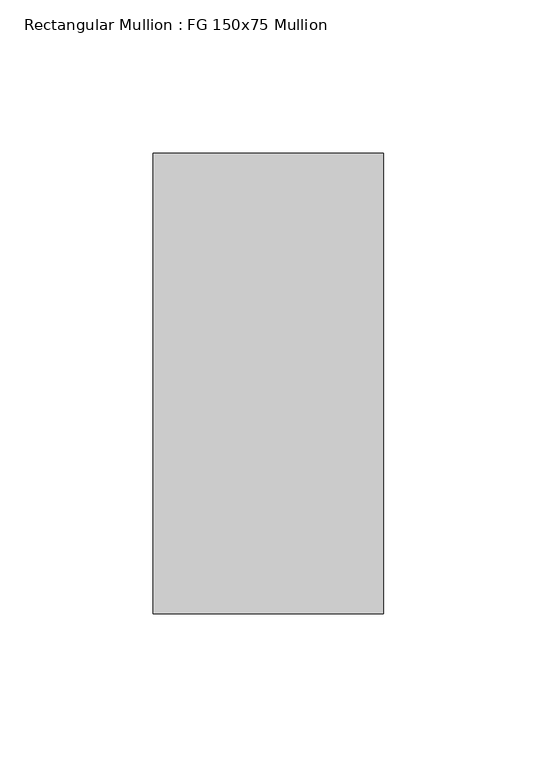
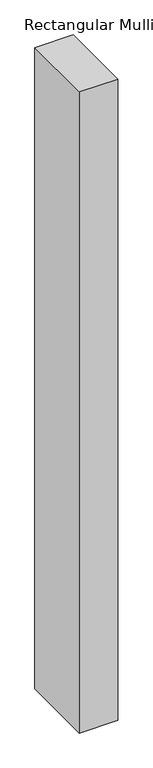
"""IFC4 building model written with IfcOpenShell, lengths in millimetres: member geometry, Rectangular Mullion : FG 150x75 Mullion."""

from ifc_helpers import new_model, si_unit, frame, origin, place, context, project, spatial, polyline, outline, extrude, source, transform, mapped, element, save


def rectangular_mullion_fg_150x75_mullion_0887eda9(model_context):
    return source(origin(), model_context, "Body", "SweptSolid", [
        extrude(outline(polyline([(37.5, 75.0), (37.5, -75.0), (-37.5, -75.0), (-37.5, 75.0), (37.5, 75.0)])), frame((0.0, 0.0, -1321.9254019), z_axis=(0.0, 0.0, 1.0), x_axis=(1.0, 0.0, 0.0)), (0.0, 0.0, 1.0), 1321.9254019),
    ])


if __name__ == "__main__":
    model = new_model("IFC4")
    model_context = context("Model", 3, world=origin())
    ifc_project = project(units=[si_unit("LENGTHUNIT", "METRE", prefix="MILLI")], contexts=[model_context])
    site = spatial("IfcSite", under=ifc_project)
    building = spatial("IfcBuilding", under=site)
    placement = place(None, origin())
    rectangular_mullion_fg_150x75_mullion_shape = rectangular_mullion_fg_150x75_mullion_0887eda9(model_context)
    element("IfcMember", 1, ObjectType="Rectangular Mullion : FG 150x75 Mullion", at=placement, inside=building, context=model_context, shape_type="MappedRepresentation", body=[
        mapped(rectangular_mullion_fg_150x75_mullion_shape, transform((0.0, 0.0, 0.0), x_axis=(1.0, 0.0, 0.0), y_axis=(0.0, 1.0, 0.0), z_axis=(0.0, 0.0, 1.0))),
    ])
    save(model, "model.ifc")
